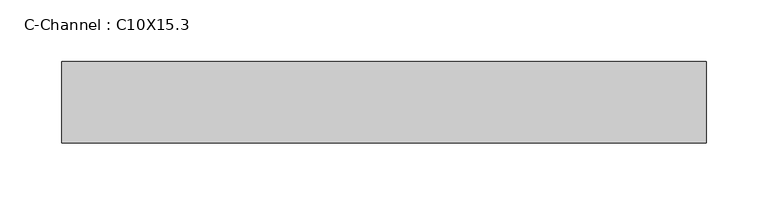
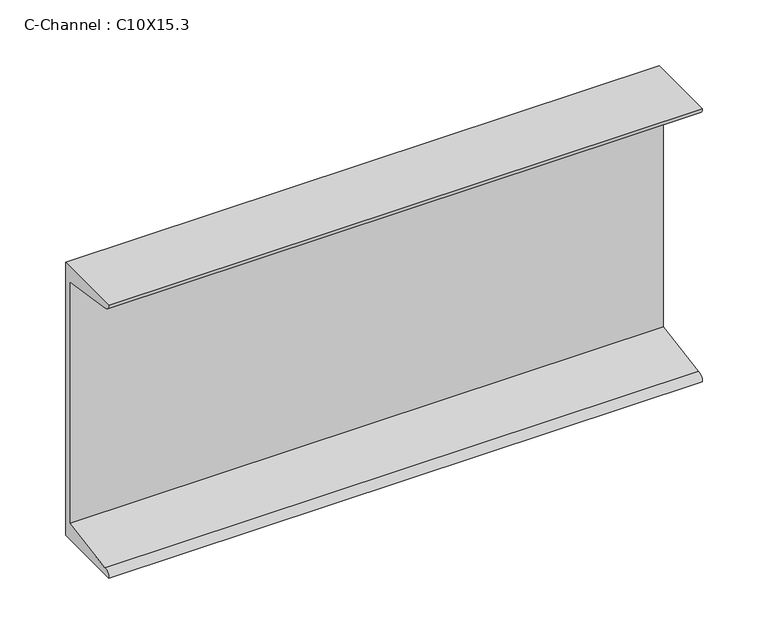
"""IFC4 building model written with IfcOpenShell, lengths in millimetres: beam geometry, C-Channel : C10X15.3."""

from ifc_helpers import new_model, si_unit, point, frame, frame_2d, origin, place, context, project, spatial, polyline, circle_curve, trimmed, segment, composite_curve, outline, extrude, source, transform, mapped, element, save


def c_channel_c10x15_3_46bbc893(model_context):
    return source(origin(), model_context, "Body", "SweptSolid", [
        extrude(outline(composite_curve([segment(polyline([(14.0716, 127.0), (14.0716, -127.0), (-52.0080875, -127.0)]), True, "CONTINUOUS"), segment(trimmed(circle_curve(frame_2d((-45.9557438, -127.0)), 6.0523438), [point((-52.0080875, -127.0))], [point((-45.9557438, -120.9476563))], False, "CARTESIAN"), True, "CONTINUOUS"), segment(polyline([(-45.9557438, -120.9476563), (8.0192562, -112.3988561), (8.0192562, 112.3988561), (-45.9557438, 120.9476562)]), True, "CONTINUOUS"), segment(trimmed(circle_curve(frame_2d((-45.9557438, 127.0)), 6.0523437), [point((-45.9557438, 120.9476562))], [point((-52.0080875, 127.0))], False, "CARTESIAN"), True, "CONTINUOUS"), segment(polyline([(-52.0080875, 127.0), (14.0716, 127.0)]), True, "CONTINUOUS")], self_intersect=False)), frame((-261.0941406, 0.0, 0.0), z_axis=(1.0, 0.0, 0.0), x_axis=(0.0, 1.0, 0.0)), (0.0, 0.0, 1.0), 522.1882812),
    ])


if __name__ == "__main__":
    model = new_model("IFC4")
    model_context = context("Model", 3, world=origin())
    ifc_project = project(units=[si_unit("LENGTHUNIT", "METRE", prefix="MILLI")], contexts=[model_context])
    site = spatial("IfcSite", under=ifc_project)
    building = spatial("IfcBuilding", under=site)
    placement = place(None, origin())
    c_channel_c10x15_3_shape = c_channel_c10x15_3_46bbc893(model_context)
    element("IfcBeam", 1, ObjectType="C-Channel : C10X15.3", at=placement, inside=building, context=model_context, shape_type="MappedRepresentation", body=[
        mapped(c_channel_c10x15_3_shape, transform((0.0, 0.0, 0.0), x_axis=(1.0, 0.0, 0.0), y_axis=(0.0, 1.0, 0.0), z_axis=(0.0, 0.0, 1.0))),
    ])
    save(model, "model.ifc")
